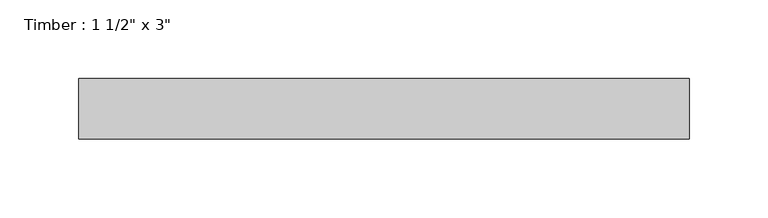
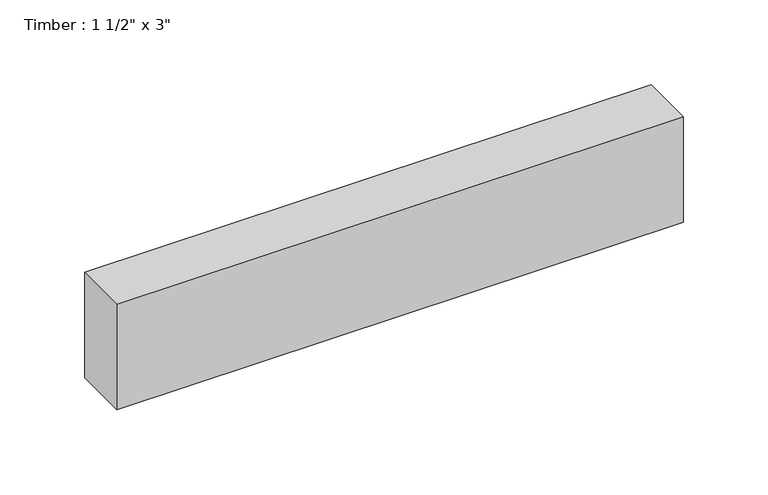
"""IFC4 building model written with IfcOpenShell, lengths in millimetres: beam geometry."""

from ifc_helpers import new_model, si_unit, frame, origin, place, context, project, spatial, polyline, outline, extrude, source, transform, mapped, element, save


def beam_51325b74(model_context):
    return source(origin(), model_context, "Body", "SweptSolid", [
        extrude(outline(polyline([(193.2743874, 19.05), (193.2743874, -19.05), (-193.2743874, -19.05), (-193.2743874, 19.05), (193.2743874, 19.05)])), frame((0.0, 0.0, -38.1), z_axis=(0.0, 0.0, 1.0), x_axis=(1.0, 0.0, 0.0)), (0.0, 0.0, 1.0), 76.2),
    ])


if __name__ == "__main__":
    model = new_model("IFC4")
    model_context = context("Model", 3, world=origin())
    ifc_project = project(units=[si_unit("LENGTHUNIT", "METRE", prefix="MILLI")], contexts=[model_context])
    site = spatial("IfcSite", under=ifc_project)
    building = spatial("IfcBuilding", under=site)
    placement = place(None, origin())
    beam_shape = beam_51325b74(model_context)
    element("IfcBeam", 1, ObjectType="Timber : 1 1/2\" x 3\"", at=placement, inside=building, context=model_context, shape_type="MappedRepresentation", body=[
        mapped(beam_shape, transform((0.0, 0.0, 0.0), x_axis=(1.0, 0.0, 0.0), y_axis=(0.0, 1.0, 0.0), z_axis=(0.0, 0.0, 1.0))),
    ])
    save(model, "model.ifc")
